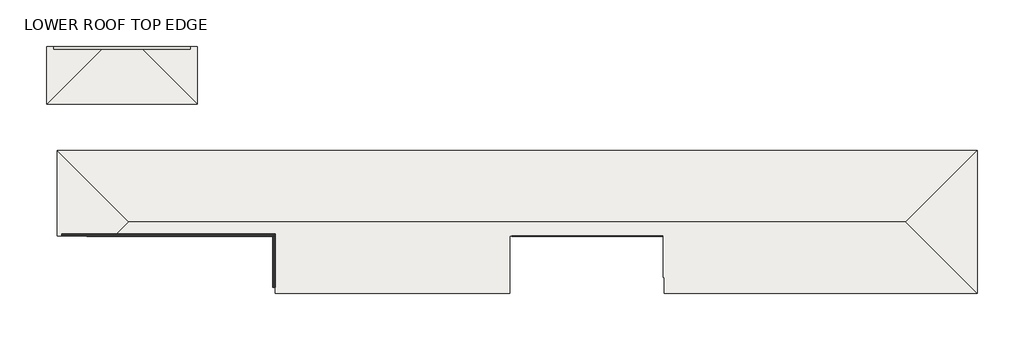
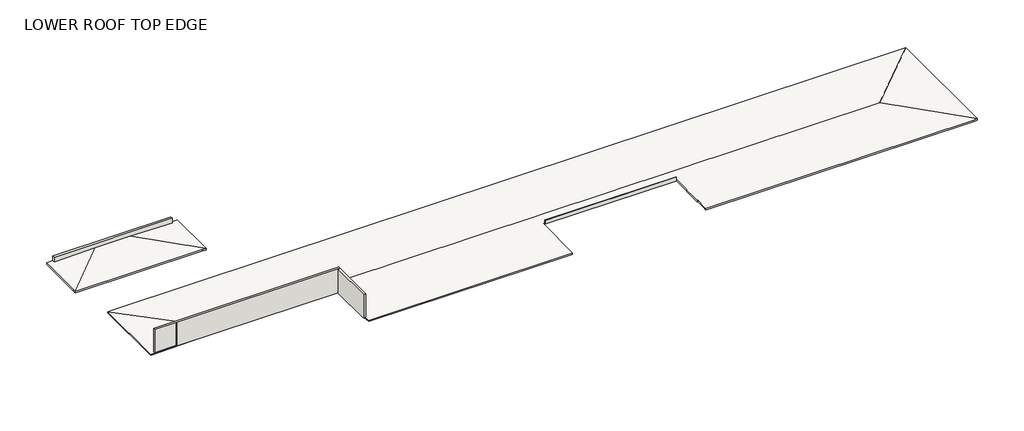
# One storey: 4 walls, 2 roofs.
"""IFC4 building model written with IfcOpenShell, lengths in millimetres."""

from ifc_helpers import new_model, si_unit, frame, origin, place, context, project, spatial, polyline, outline, extrude, faceted_brep, element, save

model = new_model("IFC4")

# Units and contexts
model_context = context("Model", 3, world=origin())
ifc_project = project(units=[si_unit("LENGTHUNIT", "METRE", prefix="MILLI")], contexts=[model_context])

# Site, building, storey
site = spatial("IfcSite", under=ifc_project)
building = spatial("IfcBuilding", under=site)
storey = spatial("IfcBuildingStorey", under=building, Name="LOWER ROOF TOP EDGE", Elevation=3454.4)

# Roofs
placement = place(None, origin())
element("IfcRoof", 1, ObjectType="Generic - 9\"", at=placement, inside=storey, context=model_context, shape_type="Brep", body=[
    faceted_brep([(-81744.141266, -38601.7586561, 3225.8), (-81744.141266, -37992.1586561, 3238.5), (-81744.141266, -36420.5336561, 3271.2421875), (-81869.553766, -36420.5336561, 3271.2421875), (-81869.553766, -30856.3461561, 3387.1627604), (-102519.182266, -30856.3461561, 3387.1627604), (-102519.182266, -30957.9461561, 3385.0460938), (-102519.182266, -38601.7586561, 3225.8), (-134069.157266, -38601.7586561, 3225.8), (-134069.157266, -37992.1586561, 3238.5), (-134069.157266, -37639.7336561, 3245.8421875), (-134221.557266, -37639.7336561, 3245.8421875), (-134221.557266, -30957.9461561, 3385.0460938), (-134221.557266, -30856.3461561, 3387.1627604), (-155681.953766, -30856.3461561, 3387.1627604), (-153802.353766, -28976.7461561, 3426.3210938), (-49255.953766, -28976.7461561, 3426.3210938), (-39630.941266, -38601.7586561, 3225.8), (-40240.541266, -38601.7586561, 3225.8), (-39630.941266, -19351.7336561, 3225.8), (-39630.941266, -19961.3336561, 3225.8), (-155681.953766, -27097.1461561, 3387.1627604), (-155783.553766, -26995.5461561, 3385.0460938), (-163427.366266, -19351.7336561, 3225.8), (-162817.766266, -19351.7336561, 3225.8), (-163427.366266, -30856.3461561, 3225.8), (-81744.141266, -37992.1586561, 3467.149604), (-81744.141266, -38601.7586561, 3454.449604), (-40240.541266, -38601.7586561, 3454.449604), (-39630.941266, -38601.7586561, 3454.449604), (-49255.953766, -28976.7461561, 3654.9706977), (-153802.353766, -28976.7461561, 3654.9706977), (-155681.953766, -30856.3461561, 3615.8123644), (-134221.557266, -30856.3461561, 3615.8123644), (-134221.557266, -37639.7336561, 3474.4917915), (-134069.157266, -37639.7336561, 3474.4917915), (-134069.157266, -37992.1586561, 3467.149604), (-134069.157266, -38601.7586561, 3454.449604), (-102519.182266, -38601.7586561, 3454.449604), (-102519.182266, -30856.3461561, 3615.8123644), (-81869.553766, -30856.3461561, 3615.8123644), (-81869.553766, -36420.5336561, 3499.8917915), (-81744.141266, -36420.5336561, 3499.8917915), (-39630.941266, -19961.3336561, 3454.449604), (-39630.941266, -19351.7336561, 3454.449604), (-162817.766266, -19351.7336561, 3454.449604), (-163427.366266, -19351.7336561, 3454.449604), (-163427.366266, -30856.3461561, 3454.449604), (-102519.182266, -30856.3461561, 3454.4), (-81869.553766, -30856.3461561, 3454.4), (-134221.557266, -30856.3461561, 3454.4)], [[[0, 1, 2, 3, 4, 5, 6, 7, 8, 9, 10, 11, 12, 13, 14, 15, 16, 17, 18]], [[17, 16, 19, 20]], [[19, 16, 15, 21, 22, 23, 24]], [[23, 22, 21, 15, 14, 25]], [[26, 27, 28, 29, 30, 31, 32, 33, 34, 35, 36, 37, 38, 39, 40, 41, 42]], [[29, 43, 44, 30]], [[44, 45, 46, 31, 30]], [[46, 47, 32, 31]], [[18, 28, 27, 0]], [[17, 29, 28, 18]], [[20, 43, 29, 17]], [[19, 44, 43, 20]], [[24, 45, 44, 19]], [[23, 46, 45, 24]], [[25, 47, 46, 23]], [[7, 38, 37, 8]], [[27, 26, 1, 0]], [[36, 35, 10, 9]], [[39, 38, 7, 6, 5, 48]], [[40, 39, 48, 5, 4, 49]], [[41, 40, 49, 4, 3]], [[42, 41, 3, 2]], [[26, 42, 2, 1]], [[33, 32, 47, 25, 14, 13, 50]], [[37, 36, 9, 8]], [[35, 34, 11, 10]], [[34, 33, 50, 13, 12, 11]]]),
])
element("IfcRoof", 2, ObjectType="Generic - 9\"", at=placement, inside=storey, context=model_context, shape_type="Brep", body=[
    faceted_brep([(-164850.782266, -13100.1586561, 3225.8), (-157104.353766, -5353.7301561, 3387.1839271), (-152330.169766, -5353.7301561, 3387.1839271), (-144583.741266, -13100.1586561, 3225.8), (-145193.341266, -13100.1586561, 3225.8), (-144583.741266, -5353.7301561, 3225.8), (-164850.782266, -5353.7301561, 3225.8), (-164241.182266, -5353.7301561, 3238.5), (-164850.782266, -12490.5586561, 3225.8), (-164850.782266, -13100.1586561, 3454.449604), (-145193.341266, -13100.1586561, 3454.449604), (-144583.741266, -13100.1586561, 3454.449604), (-152330.169766, -5353.7301561, 3615.8335311), (-157104.353766, -5353.7301561, 3615.8335311), (-144583.741266, -5353.7301561, 3454.449604), (-164241.182266, -5353.7301561, 3467.149604), (-164850.782266, -5353.7301561, 3454.449604), (-164850.782266, -12490.5586561, 3454.449604)], [[[0, 1, 2, 3, 4]], [[2, 5, 3]], [[6, 7, 1, 0, 8]], [[9, 10, 11, 12, 13]], [[14, 12, 11]], [[15, 16, 17, 9, 13]], [[8, 17, 16, 6]], [[0, 9, 17, 8]], [[4, 10, 9, 0]], [[3, 11, 10, 4]], [[5, 14, 11, 3]], [[15, 13, 12, 14, 5, 2, 1, 7]], [[16, 15, 7, 6]]]),
])

# Walls
element("IfcWall", 3, ObjectType="CMU", at=placement, inside=storey, context=model_context, shape_type="Brep", body=[
    faceted_brep([(-102292.169766, -30957.9461561, 3454.4), (-81971.153766, -30957.9461561, 3454.4), (-81971.153766, -30957.9461561, 4053.4166667), (-102292.169766, -30957.9461561, 4053.4166667), (-81971.153766, -30856.3461561, 3454.4), (-102292.169766, -30856.3461561, 3454.4), (-102292.169766, -30856.3461561, 3615.8123644), (-102292.169766, -30856.3461561, 4051.3), (-81971.153766, -30856.3461561, 4051.3), (-81971.153766, -30856.3461561, 3615.8123644)], [[[0, 1, 2, 3]], [[4, 5, 6, 7, 8, 9]], [[1, 0, 5, 4]], [[5, 0, 3, 7, 6]], [[1, 4, 9, 8, 2]], [[3, 2, 8, 7]]]),
])
element("IfcWall", 4, ObjectType="Exterior - Brick on CMU 2", at=placement, inside=storey, context=model_context, shape_type="SweptSolid", body=[
    extrude(outline(polyline([(-145545.766266, -5706.1551561), (-163888.757266, -5706.1551561), (-163888.757266, -5353.7301561), (-145545.766266, -5353.7301561), (-145545.766266, -5706.1551561)])), frame((0.0, 0.0, 3454.4), z_axis=(0.0, 0.0, 1.0), x_axis=(1.0, 0.0, 0.0)), (0.0, 0.0, 1.0), 812.8),
])
element("IfcWall", 5, ObjectType="Exterior - Brick on CMU 2", at=placement, inside=storey, context=model_context, shape_type="Brep", body=[
    faceted_brep([(-134069.157266, -30957.9461561, 3454.4), (-134069.157266, -30957.9461561, 7315.2), (-134194.569766, -30957.9461561, 7315.2), (-134296.169766, -30957.9461561, 7315.2), (-134421.582266, -30957.9461561, 7315.2), (-159468.141266, -30957.9461561, 7315.2), (-159468.141266, -30957.9461561, 3454.4), (-134421.582266, -30957.9461561, 3454.4), (-134069.157266, -30605.5211561, 3454.4), (-162817.766266, -30605.5211561, 3454.4), (-162817.766266, -30605.5211561, 7315.2), (-134069.157266, -30605.5211561, 7315.2), (-159468.141266, -30856.3461561, 3454.4), (-162817.766266, -30856.3461561, 3454.4), (-162817.766266, -30856.3461561, 7315.2), (-159468.141266, -30856.3461561, 7315.2)], [[[0, 1, 2, 3, 4, 5, 6, 7]], [[8, 9, 10, 11]], [[9, 8, 0, 7, 6, 12, 13]], [[11, 10, 14, 15, 5, 4, 3, 2, 1]], [[1, 0, 8, 11]], [[12, 15, 14, 13]], [[15, 12, 6, 5]], [[10, 9, 13, 14]]]),
])
element("IfcWall", 6, ObjectType="Exterior - Brick on CMU 2", at=placement, inside=storey, context=model_context, shape_type="Brep", body=[
    faceted_brep([(-134069.157266, -37815.9461561, 3454.4), (-134069.157266, -37639.7336561, 3454.4), (-134069.157266, -30957.9461561, 3454.4), (-134069.157266, -30957.9461561, 7315.2), (-134069.157266, -37815.9461561, 7315.2), (-134421.582266, -37815.9461561, 3454.4), (-134421.582266, -37815.9461561, 7315.2), (-134421.582266, -30957.9461561, 7315.2), (-134421.582266, -30957.9461561, 3454.4), (-134421.582266, -37639.7336561, 3454.4)], [[[0, 1, 2, 3, 4]], [[5, 6, 7, 8, 9]], [[2, 1, 0, 5, 9, 8]], [[4, 3, 7, 6]], [[0, 4, 6, 5]], [[3, 2, 8, 7]]]),
])

save(model, "model.ifc")
